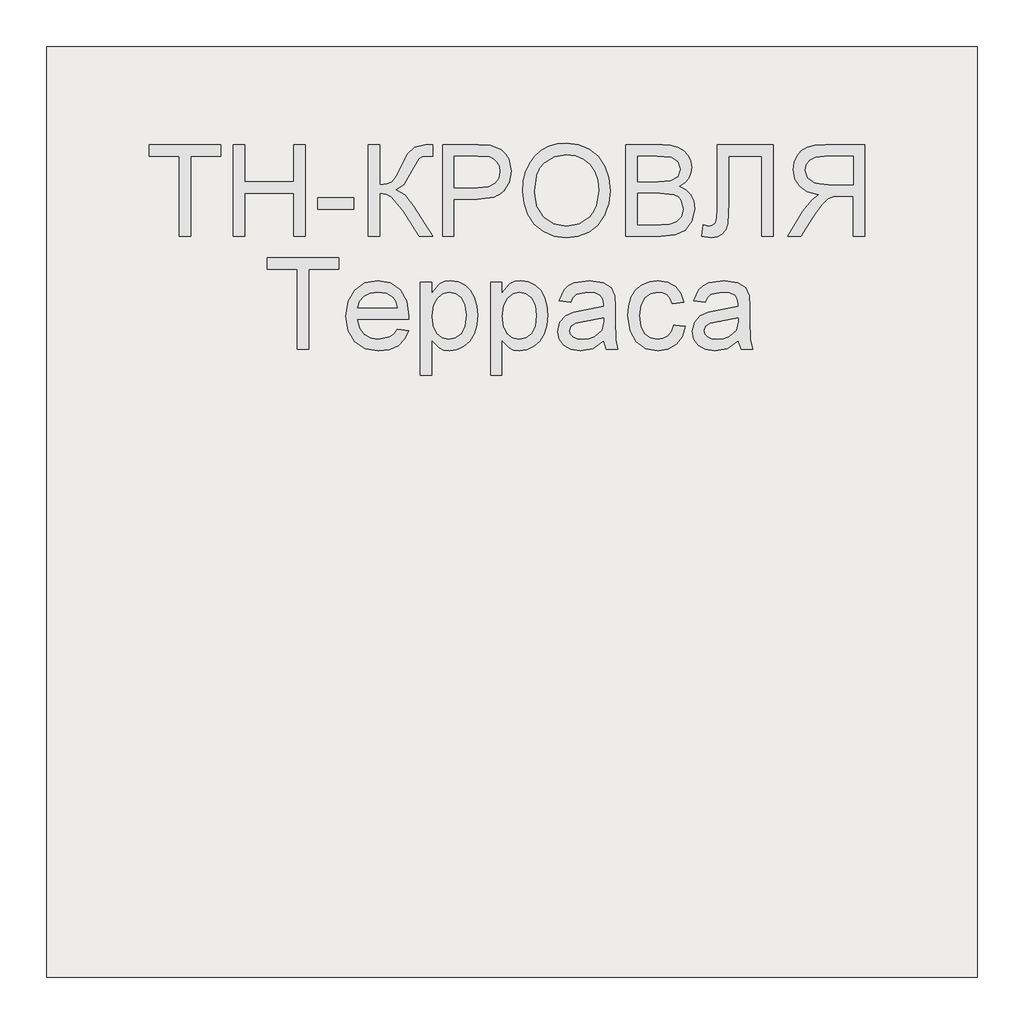
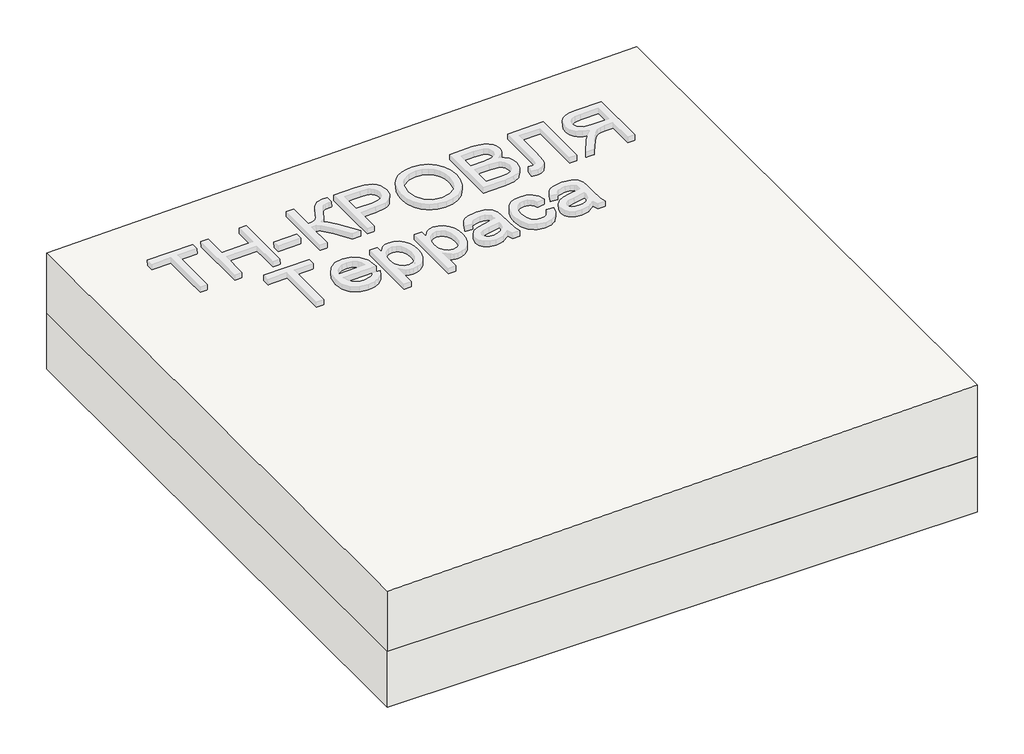
# One storey, part 1 of 3: 1 roof, 1 slab.
"""IFC4 building model written with IfcOpenShell, lengths in millimetres."""

from ifc_helpers import new_model, si_unit, frame, origin, place, context, project, spatial, polyline, outline, extrude, element, save

model = new_model("IFC4")

# Units and contexts
model_context = context("Model", 3, world=origin())
ifc_project = project(units=[si_unit("LENGTHUNIT", "METRE", prefix="MILLI")], contexts=[model_context])

# Site, building, storey
site = spatial("IfcSite", under=ifc_project)
building = spatial("IfcBuilding", under=site)
storey = spatial("IfcBuildingStorey", under=building, Elevation=0.0)

# Roof
placement = place(None, origin())
element("IfcRoof", 1, at=placement, inside=storey, context=model_context, shape_type="SweptSolid", body=[
    extrude(outline(polyline([(216.0, 27706.3955952), (0.0, 27706.3955952), (0.0, 29706.3955952), (256.0, 29706.3955952), (216.0, 27706.3955952)])), frame((0.0, -6302.6148653, 0.0), z_axis=(0.0, 1.0, 0.0), x_axis=(0.0, 0.0, 1.0)), (0.0, 0.0, 1.0), 2000.0),
])

# Slab
element("IfcSlab", 2, at=placement, inside=storey, context=model_context, shape_type="SweptSolid", body=[
    extrude(outline(polyline([(29706.3955952, -6302.6148653), (27706.3955952, -6302.6148653), (27706.3955952, -4302.6148653), (29706.3955952, -4302.6148653), (29706.3955952, -6302.6148653)])), frame((0.0, 0.0, -200.0), z_axis=(0.0, 0.0, 1.0), x_axis=(1.0, 0.0, 0.0)), (0.0, 0.0, 1.0), 200.0),
])

save(model, "model.ifc")
